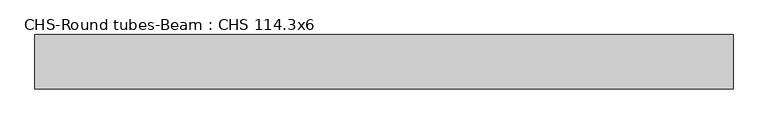
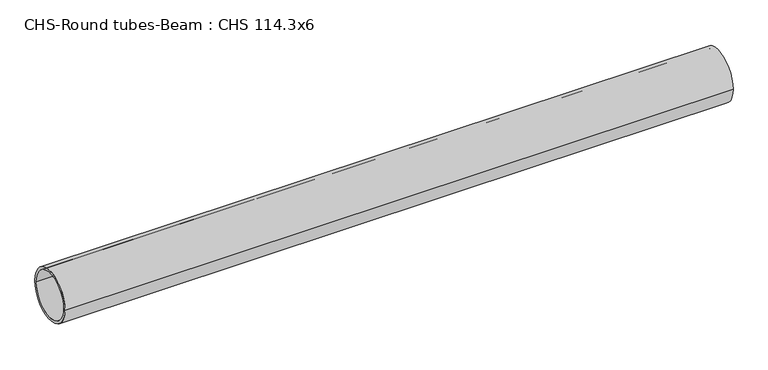
"""IFC4 building model written with IfcOpenShell, lengths in millimetres: beam geometry, CHS-Round tubes-Beam : CHS 114.3x6."""

from ifc_helpers import new_model, si_unit, point, frame, origin, origin_2d, place, context, project, spatial, circle_curve, trimmed, segment, composite_curve, outline, extrude, source, transform, mapped, element, save


def chs_round_tubes_beam_chs_114_3x6_84fc464c(model_context):
    return source(origin(), model_context, "Body", "SweptSolid", [
        extrude(outline(composite_curve([segment(trimmed(circle_curve(origin_2d(), 57.15), [point((57.15, 0.0))], [point((-57.15, 0.0))], False, "CARTESIAN"), True, "CONTINUOUS"), segment(trimmed(circle_curve(origin_2d(), 57.15), [point((-57.15, 0.0))], [point((57.15, 0.0))], False, "CARTESIAN"), True, "CONTINUOUS")], self_intersect=False), holes=[composite_curve([segment(trimmed(circle_curve(origin_2d(), 51.15), [point((51.15, 0.0))], [point((-51.15, 0.0))], True, "CARTESIAN"), True, "CONTINUOUS"), segment(trimmed(circle_curve(origin_2d(), 51.15), [point((-51.15, 0.0))], [point((51.15, 0.0))], True, "CARTESIAN"), True, "CONTINUOUS")], self_intersect=False)]), frame((-703.0434298, 0.0, 0.0), z_axis=(1.0, 0.0, 0.0), x_axis=(0.0, 1.0, 0.0)), (0.0, 0.0, 1.0), 1467.1259924),
    ])


if __name__ == "__main__":
    model = new_model("IFC4")
    model_context = context("Model", 3, world=origin())
    ifc_project = project(units=[si_unit("LENGTHUNIT", "METRE", prefix="MILLI")], contexts=[model_context])
    site = spatial("IfcSite", under=ifc_project)
    building = spatial("IfcBuilding", under=site)
    placement = place(None, origin())
    chs_round_tubes_beam_chs_114_3x6_shape = chs_round_tubes_beam_chs_114_3x6_84fc464c(model_context)
    element("IfcBeam", 1, ObjectType="CHS-Round tubes-Beam : CHS 114.3x6", at=placement, inside=building, context=model_context, shape_type="MappedRepresentation", body=[
        mapped(chs_round_tubes_beam_chs_114_3x6_shape, transform((0.0, 0.0, 0.0), x_axis=(1.0, 0.0, 0.0), y_axis=(0.0, 1.0, 0.0), z_axis=(0.0, 0.0, 1.0))),
    ])
    save(model, "model.ifc")
